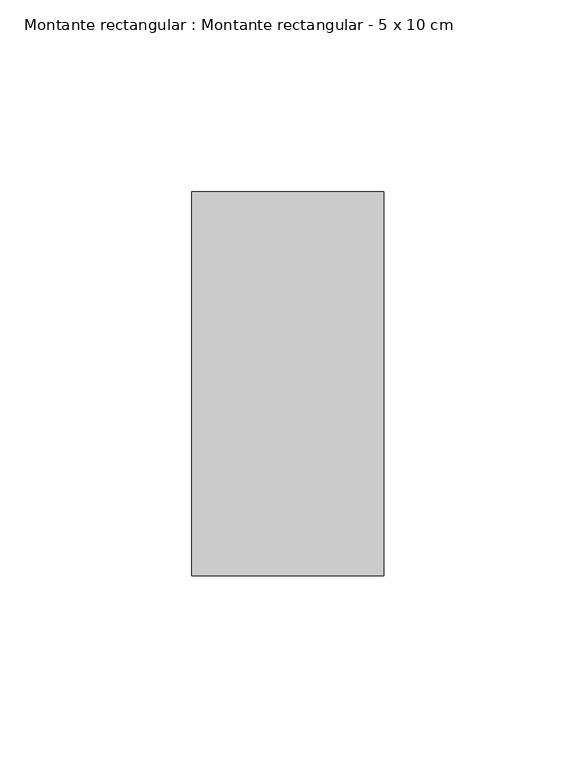
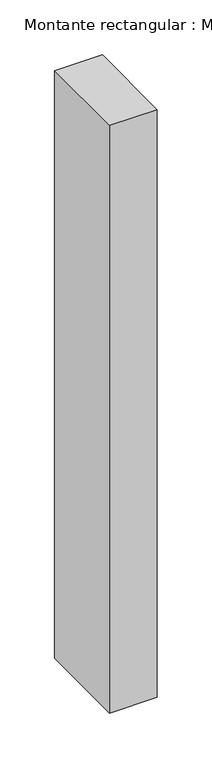
"""IFC4 building model written with IfcOpenShell, lengths in millimetres: member geometry, Montante rectangular : Montante rectangular - 5 x 10 cm."""

from ifc_helpers import new_model, si_unit, frame, origin, place, context, project, spatial, polyline, outline, extrude, source, transform, mapped, element, save


def montante_rectangular_montante_rectangular_5_x_10_cm_bac87118(model_context):
    return source(origin(), model_context, "Body", "SweptSolid", [
        extrude(outline(polyline([(0.0, 50.0), (0.0, -50.0), (-50.0, -50.0), (-50.0, 50.0), (0.0, 50.0)])), frame((0.0, 0.0, -653.0), z_axis=(0.0, 0.0, 1.0), x_axis=(1.0, 0.0, 0.0)), (0.0, 0.0, 1.0), 653.0),
    ])


if __name__ == "__main__":
    model = new_model("IFC4")
    model_context = context("Model", 3, world=origin())
    ifc_project = project(units=[si_unit("LENGTHUNIT", "METRE", prefix="MILLI")], contexts=[model_context])
    site = spatial("IfcSite", under=ifc_project)
    building = spatial("IfcBuilding", under=site)
    placement = place(None, origin())
    montante_rectangular_montante_rectangular_5_x_10_cm_shape = montante_rectangular_montante_rectangular_5_x_10_cm_bac87118(model_context)
    element("IfcMember", 1, ObjectType="Montante rectangular : Montante rectangular - 5 x 10 cm", at=placement, inside=building, context=model_context, shape_type="MappedRepresentation", body=[
        mapped(montante_rectangular_montante_rectangular_5_x_10_cm_shape, transform((0.0, 0.0, 0.0), x_axis=(1.0, 0.0, 0.0), y_axis=(0.0, 1.0, 0.0), z_axis=(0.0, 0.0, 1.0))),
    ])
    save(model, "model.ifc")
